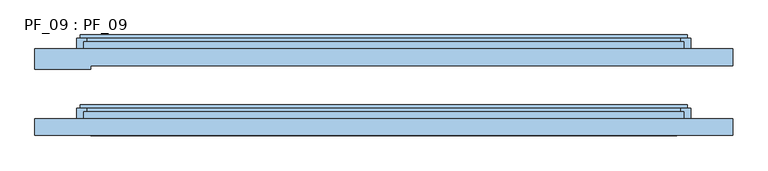
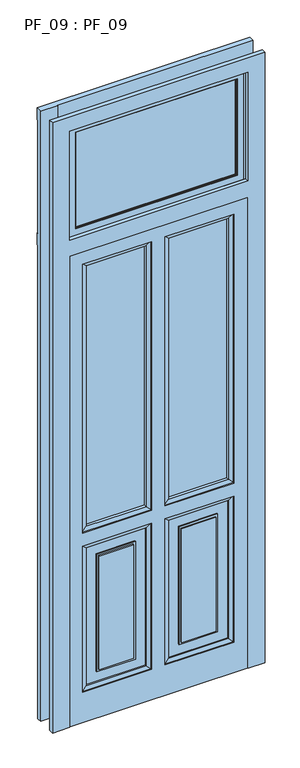
"""IFC4 building model written with IfcOpenShell, lengths in millimetres: window geometry, PF_09 : PF_09."""

import ifcopenshell
import ifcopenshell.guid

model = None  # the IFC model being written
_history = None  # IfcOwnerHistory: only IFC2X3 demands one
_inside = {}  # id of a spatial element -> (the spatial element, [elements in it])
_under = {}  # id of a project, library or spatial element -> (it, [spatial elements below it])
_declared = {}  # id of a project -> (the project, [libraries it declares])
_typed = {}  # id of a type object -> (the type object, [elements of that type])
_made_of = {}  # id of a material, layer set ... -> (it, [elements and type objects made of it])


def new_model(schema):
    """Start an empty IFC model of exactly this schema.

    Asked for "IFC4X3", IfcOpenShell would pick the latest addendum, in which some entities
    have other attributes; the version numbers below select the first issue.
    IFC2X3 requires an IfcOwnerHistory on every rooted entity: one is made here for all.
    """
    global model, _history
    if schema == "IFC4X3":
        model = ifcopenshell.file(schema_version=(4, 3, 0, 0))
    else:
        model = ifcopenshell.file(schema=schema)
    _inside.clear()
    _under.clear()
    _declared.clear()
    _typed.clear()
    _made_of.clear()
    _history = None
    if model.schema == "IFC2X3":
        org = make("IfcOrganization", Name="unknown")
        user = make(
            "IfcPersonAndOrganization",
            ThePerson=make("IfcPerson", FamilyName="unknown"),
            TheOrganization=org,
        )
        app = make(
            "IfcApplication",
            ApplicationDeveloper=org,
            Version="unknown",
            ApplicationFullName="unknown",
            ApplicationIdentifier="unknown",
        )
        _history = make(
            "IfcOwnerHistory",
            OwningUser=user,
            OwningApplication=app,
            ChangeAction="ADDED",
            CreationDate=0,
        )
    return model


def make(cls, **values):
    """One entity of the class cls with the attributes given. An attribute that is None is left unset."""
    return model.create_entity(
        cls, **{name: value for name, value in values.items() if value is not None}
    )


def rooted(cls, **values):
    """An entity with a GlobalId (a new one), such as an element, a storey or a relation."""
    return make(cls, GlobalId=ifcopenshell.guid.new(), OwnerHistory=_history, **values)


def si_unit(unit_type, name, prefix=None):
    """IfcSIUnit, for example si_unit("LENGTHUNIT", "METRE", prefix="MILLI")."""
    return make("IfcSIUnit", UnitType=unit_type, Prefix=prefix, Name=name)


def assignment(units):
    """IfcUnitAssignment: the units of a project."""
    return None if units is None else make("IfcUnitAssignment", Units=units)


def point(xyz):
    """IfcCartesianPoint."""
    return None if xyz is None else make("IfcCartesianPoint", Coordinates=xyz)


def direction(xyz):
    """IfcDirection."""
    return None if xyz is None else make("IfcDirection", DirectionRatios=xyz)


def frame(location, z_axis=None, x_axis=None):
    """IfcAxis2Placement3D, a coordinate frame: its origin and axes. An axis left out is left unset."""
    return make(
        "IfcAxis2Placement3D",
        Location=point(location),
        Axis=direction(z_axis),
        RefDirection=direction(x_axis),
    )


def origin():
    """The frame at (0, 0, 0) with its axes left unset."""
    return frame((0.0, 0.0, 0.0))


def place(relative_to, where):
    """IfcLocalPlacement: puts the frame where relative to a parent placement (None: the world)."""
    return make(
        "IfcLocalPlacement", PlacementRelTo=relative_to, RelativePlacement=where
    )


def context(
    kind, dimensions, precision=None, world=None, true_north=None, identifier=None
):
    """IfcGeometricRepresentationContext, for example the 3D "Model" context."""
    return make(
        "IfcGeometricRepresentationContext",
        ContextIdentifier=identifier,
        ContextType=kind,
        CoordinateSpaceDimension=dimensions,
        Precision=precision,
        WorldCoordinateSystem=world,
        TrueNorth=true_north,
    )


def project(units=None, contexts=None):
    """IfcProject with its units and contexts."""
    return rooted(
        "IfcProject",
        Name="project",
        RepresentationContexts=contexts,
        UnitsInContext=assignment(units),
    )


def spatial(cls, under=None, at=None, **own):
    """A site, building, storey or space (cls), placed at a placement, below another one or the project."""
    s = rooted(cls, ObjectPlacement=at, **own)
    if under is not None:
        _under.setdefault(under.id(), (under, []))[1].append(s)
    return s


def polyline(points):
    """IfcPolyline through the points."""
    return make("IfcPolyline", Points=[point(p) for p in points])


def outline(outer, holes=None, kind="AREA"):
    """IfcArbitraryClosedProfileDef: a profile drawn as a closed curve; with holes, ...WithVoids."""
    if holes is None:
        return make("IfcArbitraryClosedProfileDef", ProfileType=kind, OuterCurve=outer)
    return make(
        "IfcArbitraryProfileDefWithVoids",
        ProfileType=kind,
        OuterCurve=outer,
        InnerCurves=holes,
    )


def extrude(swept, where, along, depth):
    """IfcExtrudedAreaSolid: the profile swept, set in the frame where, extruded along a direction by depth."""
    return make(
        "IfcExtrudedAreaSolid",
        SweptArea=swept,
        Position=where,
        ExtrudedDirection=direction(along),
        Depth=depth,
    )


def faces_of(points, faces, orient=None, outer=None):
    """IfcFace entities. A face is a list of loops; a loop is a list of indices into points, from 0.

    orient and outer hold one flag for each loop. By default every Orientation is true, the
    first loop of a face is its IfcFaceOuterBound and the others are IfcFaceBound.
    """
    made = []
    for i, loops in enumerate(faces):
        bounds = []
        for j, loop in enumerate(loops):
            is_outer = j == 0 if outer is None else outer[i][j]
            bounds.append(
                make(
                    "IfcFaceOuterBound" if is_outer else "IfcFaceBound",
                    Bound=make("IfcPolyLoop", Polygon=[points[k] for k in loop]),
                    Orientation=True if orient is None else orient[i][j],
                )
            )
        made.append(make("IfcFace", Bounds=bounds))
    return made


def faceted_brep(points, faces, orient=None, outer=None, voids=None):
    """IfcFacetedBrep: a solid bounded by flat faces; with voids (closed shells), ...WithVoids."""
    shared = [point(p) for p in points]
    hull = make("IfcClosedShell", CfsFaces=faces_of(shared, faces, orient, outer))
    if voids is None:
        return make("IfcFacetedBrep", Outer=hull)
    return make(
        "IfcFacetedBrepWithVoids",
        Outer=hull,
        Voids=[
            make(cls, CfsFaces=faces_of(shared, fs, o, b)) for cls, fs, o, b in voids
        ],
    )


def shape(context_of_items, identifier, shape_type, items):
    """IfcShapeRepresentation: the items that make up one representation, for example the "Body"."""
    return make(
        "IfcShapeRepresentation",
        ContextOfItems=context_of_items,
        RepresentationIdentifier=identifier,
        RepresentationType=shape_type,
        Items=items,
    )


def source(mapping_origin, context_of_items, identifier, shape_type, items):
    """IfcRepresentationMap: a shape defined once, which mapped items show again and again."""
    return make(
        "IfcRepresentationMap",
        MappingOrigin=mapping_origin,
        MappedRepresentation=shape(context_of_items, identifier, shape_type, items),
    )


def transform(
    local_origin,
    x_axis=None,
    y_axis=None,
    z_axis=None,
    scale=None,
    scale2=None,
    scale3=None,
    uniform=True,
):
    """IfcCartesianTransformationOperator3D, or its non-uniform kind. x_axis, y_axis, z_axis: its Axis1, 2, 3."""
    if uniform:
        return make(
            "IfcCartesianTransformationOperator3D",
            Axis1=direction(x_axis),
            Axis2=direction(y_axis),
            LocalOrigin=point(local_origin),
            Scale=scale,
            Axis3=direction(z_axis),
        )
    return make(
        "IfcCartesianTransformationOperator3DnonUniform",
        Axis1=direction(x_axis),
        Axis2=direction(y_axis),
        LocalOrigin=point(local_origin),
        Scale=scale,
        Axis3=direction(z_axis),
        Scale2=scale2,
        Scale3=scale3,
    )


def mapped(mapping_source, mapping_target):
    """IfcMappedItem: shows the shape of a source again, moved by a transform."""
    return make(
        "IfcMappedItem", MappingSource=mapping_source, MappingTarget=mapping_target
    )


def made_of(thing, what):
    """Note that an element or type object is made of a material, layer set ...; save() writes the relation."""
    if what is not None:
        _made_of.setdefault(what.id(), (what, []))[1].append(thing)
    return thing


def element(
    cls,
    number,
    at=None,
    inside=None,
    cuts=None,
    type_object=None,
    material=None,
    context=None,
    identifier="Body",
    shape_type=None,
    held_by="IfcProductDefinitionShape",
    body=None,
    shapes=None,
    **own,
):
    """One element of the class cls, such as IfcWall. Its Tag is "e" and its number.

    at: its placement. inside: the storey or other place that contains it. cuts: it is an
    opening in that element (IfcRelVoidsElement). A single representation is given by context,
    identifier, shape_type and body (its items); several are given by shapes. held_by: the class
    of the entity that holds the representations. save() writes the other relations.
    """
    e = rooted(cls, Tag="e%d" % number, ObjectPlacement=at, **own)
    if body is not None:
        shapes = [shape(context, identifier, shape_type, body)]
    if shapes is not None:
        e.Representation = make(held_by, Representations=shapes)
    if inside is not None:
        _inside.setdefault(inside.id(), (inside, []))[1].append(e)
    if cuts is not None:
        rooted(
            "IfcRelVoidsElement", RelatingBuildingElement=cuts, RelatedOpeningElement=e
        )
    if type_object is not None:
        _typed.setdefault(type_object.id(), (type_object, []))[1].append(e)
    return made_of(e, material)


def aggregate(whole, parts):
    """IfcRelAggregates: a whole, such as a stair, and the parts it consists of."""
    return rooted("IfcRelAggregates", RelatingObject=whole, RelatedObjects=parts)


def save(model, path):
    """Write the relations noted so far, then the file.

    IfcRelAggregates (storeys below a building ...), IfcRelContainedInSpatialStructure (elements
    in a storey), IfcRelDefinesByType, IfcRelAssociatesMaterial and IfcRelDeclares: one each for
    every whole, place, type object, material and project.
    """
    for whole, parts in _under.values():
        aggregate(whole, parts)
    for where, things in _inside.values():
        rooted(
            "IfcRelContainedInSpatialStructure",
            RelatedElements=things,
            RelatingStructure=where,
        )
    for kind, things in _typed.values():
        rooted("IfcRelDefinesByType", RelatedObjects=things, RelatingType=kind)
    for what, things in _made_of.values():
        rooted("IfcRelAssociatesMaterial", RelatedObjects=things, RelatingMaterial=what)
    for by, libraries in _declared.values():
        rooted("IfcRelDeclares", RelatingContext=by, RelatedDefinitions=libraries)
    model.write(path)


def pf_09_pf_09_a377116d(model_context):
    return source(origin(), model_context, "Body", "SolidModel", [
        extrude(outline(polyline([(375.0, 57.0), (375.0, 53.0), (-375.0, 53.0), (-375.0, 57.0), (375.0, 57.0)])), frame((0.0, 0.0, 2455.0), z_axis=(0.0, 0.0, 1.0), x_axis=(1.0, 0.0, 0.0)), (0.0, 0.0, 1.0), 470.0),
        faceted_brep([(380.0, 50.0, 2930.0), (380.0, 50.0, 2450.0), (380.0, 45.0, 2450.0), (380.0, 45.0, 2930.0), (375.0, 60.0, 2925.0), (375.0, 60.0, 2455.0), (375.0, 50.0, 2455.0), (375.0, 50.0, 2925.0), (380.0, 65.0, 2930.0), (380.0, 65.0, 2450.0), (380.0, 60.0, 2450.0), (380.0, 60.0, 2930.0), (430.0, 50.0, 2980.0), (430.0, 50.0, 2400.0), (430.0, 60.0, 2400.0), (430.0, 60.0, 2980.0), (410.0, 45.0, 2960.0), (410.0, 45.0, 2420.0), (410.0, 50.0, 2420.0), (410.0, 50.0, 2960.0), (-380.0, 50.0, 2450.0), (-380.0, 45.0, 2450.0), (-375.0, 60.0, 2455.0), (-375.0, 50.0, 2455.0), (-380.0, 65.0, 2450.0), (-380.0, 60.0, 2450.0), (-430.0, 50.0, 2400.0), (-430.0, 60.0, 2400.0), (-410.0, 45.0, 2420.0), (-410.0, 50.0, 2420.0), (-380.0, 50.0, 2930.0), (-380.0, 45.0, 2930.0), (-375.0, 60.0, 2925.0), (-375.0, 50.0, 2925.0), (-380.0, 65.0, 2930.0), (-380.0, 60.0, 2930.0), (-430.0, 50.0, 2980.0), (-430.0, 60.0, 2980.0), (-410.0, 45.0, 2960.0), (-410.0, 50.0, 2960.0), (425.0, 65.0, 2975.0), (425.0, 65.0, 2405.0), (-425.0, 65.0, 2405.0), (-425.0, 65.0, 2975.0), (425.0, 60.0, 2975.0), (425.0, 60.0, 2405.0), (-425.0, 60.0, 2405.0), (-425.0, 60.0, 2975.0)], [[[0, 1, 2, 3]], [[4, 5, 6, 7]], [[8, 9, 10, 11]], [[12, 13, 14, 15]], [[16, 17, 18, 19]], [[1, 20, 21, 2]], [[5, 22, 23, 6]], [[9, 24, 25, 10]], [[13, 26, 27, 14]], [[17, 28, 29, 18]], [[20, 30, 31, 21]], [[22, 32, 33, 23]], [[24, 34, 35, 25]], [[26, 36, 37, 27]], [[28, 38, 39, 29]], [[17, 16, 38, 28], [3, 2, 21, 31]], [[30, 0, 3, 31]], [[1, 0, 30, 20], [7, 6, 23, 33]], [[32, 4, 7, 33]], [[11, 10, 25, 35], [5, 4, 32, 22]], [[34, 8, 11, 35]], [[40, 41, 42, 43], [9, 8, 34, 24]], [[36, 12, 15, 37]], [[13, 12, 36, 26], [19, 18, 29, 39]], [[38, 16, 19, 39]], [[44, 45, 41, 40]], [[45, 46, 42, 41]], [[46, 47, 43, 42]], [[47, 44, 40, 43]], [[15, 14, 27, 37], [45, 44, 47, 46]]]),
        extrude(outline(polyline([(375.0, -43.0), (375.0, -47.0), (-375.0, -47.0), (-375.0, -43.0), (375.0, -43.0)])), frame((0.0, 0.0, 2455.0), z_axis=(0.0, 0.0, 1.0), x_axis=(1.0, 0.0, 0.0)), (0.0, 0.0, 1.0), 470.0),
        faceted_brep([(380.0, -50.0, 2930.0), (380.0, -50.0, 2450.0), (380.0, -55.0, 2450.0), (380.0, -55.0, 2930.0), (375.0, -40.0, 2925.0), (375.0, -40.0, 2455.0), (375.0, -50.0, 2455.0), (375.0, -50.0, 2925.0), (380.0, -35.0, 2930.0), (380.0, -35.0, 2450.0), (380.0, -40.0, 2450.0), (380.0, -40.0, 2930.0), (430.0, -50.0, 2980.0), (430.0, -50.0, 2400.0), (430.0, -40.0, 2400.0), (430.0, -40.0, 2980.0), (410.0, -55.0, 2960.0), (410.0, -55.0, 2420.0), (410.0, -50.0, 2420.0), (410.0, -50.0, 2960.0), (-380.0, -50.0, 2450.0), (-380.0, -55.0, 2450.0), (-375.0, -40.0, 2455.0), (-375.0, -50.0, 2455.0), (-380.0, -35.0, 2450.0), (-380.0, -40.0, 2450.0), (-430.0, -50.0, 2400.0), (-430.0, -40.0, 2400.0), (-410.0, -55.0, 2420.0), (-410.0, -50.0, 2420.0), (-380.0, -50.0, 2930.0), (-380.0, -55.0, 2930.0), (-375.0, -40.0, 2925.0), (-375.0, -50.0, 2925.0), (-380.0, -35.0, 2930.0), (-380.0, -40.0, 2930.0), (-430.0, -50.0, 2980.0), (-430.0, -40.0, 2980.0), (-410.0, -55.0, 2960.0), (-410.0, -50.0, 2960.0), (425.0, -35.0, 2975.0), (425.0, -35.0, 2405.0), (-425.0, -35.0, 2405.0), (-425.0, -35.0, 2975.0), (425.0, -40.0, 2975.0), (425.0, -40.0, 2405.0), (-425.0, -40.0, 2405.0), (-425.0, -40.0, 2975.0)], [[[0, 1, 2, 3]], [[4, 5, 6, 7]], [[8, 9, 10, 11]], [[12, 13, 14, 15]], [[16, 17, 18, 19]], [[1, 20, 21, 2]], [[5, 22, 23, 6]], [[9, 24, 25, 10]], [[13, 26, 27, 14]], [[17, 28, 29, 18]], [[20, 30, 31, 21]], [[22, 32, 33, 23]], [[24, 34, 35, 25]], [[26, 36, 37, 27]], [[28, 38, 39, 29]], [[17, 16, 38, 28], [3, 2, 21, 31]], [[30, 0, 3, 31]], [[1, 0, 30, 20], [7, 6, 23, 33]], [[32, 4, 7, 33]], [[11, 10, 25, 35], [5, 4, 32, 22]], [[34, 8, 11, 35]], [[40, 41, 42, 43], [9, 8, 34, 24]], [[36, 12, 15, 37]], [[13, 12, 36, 26], [19, 18, 29, 39]], [[38, 16, 19, 39]], [[44, 45, 41, 40]], [[45, 46, 42, 41]], [[46, 47, 43, 42]], [[47, 44, 40, 43]], [[15, 14, 27, 37], [45, 44, 47, 46]]]),
        extrude(outline(polyline([(-52.5, 57.0), (-52.5, 53.0), (-335.0, 53.0), (-335.0, 57.0), (-52.5, 57.0)])), frame((0.0, 0.0, 960.0), z_axis=(0.0, 0.0, 1.0), x_axis=(1.0, 0.0, 0.0)), (0.0, 0.0, 1.0), 1295.0),
        extrude(outline(polyline([(335.0, 57.0), (335.0, 53.0), (52.5, 53.0), (52.5, 57.0), (335.0, 57.0)])), frame((0.0, 0.0, 960.0), z_axis=(0.0, 0.0, 1.0), x_axis=(1.0, 0.0, 0.0)), (0.0, 0.0, 1.0), 1295.0),
        extrude(outline(polyline([(-52.5, -43.0), (-52.5, -47.0), (-335.0, -47.0), (-335.0, -43.0), (-52.5, -43.0)])), frame((0.0, 0.0, 960.0), z_axis=(0.0, 0.0, 1.0), x_axis=(1.0, 0.0, 0.0)), (0.0, 0.0, 1.0), 1295.0),
        extrude(outline(polyline([(335.0, -43.0), (335.0, -47.0), (52.5, -47.0), (52.5, -43.0), (335.0, -43.0)])), frame((0.0, 0.0, 960.0), z_axis=(0.0, 0.0, 1.0), x_axis=(1.0, 0.0, 0.0)), (0.0, 0.0, 1.0), 1295.0),
        faceted_brep([(430.0, 30.0, 0.0), (-430.0, 30.0, 0.0), (-430.0, 50.0, 0.0), (-440.0, 50.0, 0.0), (-440.0, 65.0, 0.0), (-435.0, 65.0, 0.0), (-435.0, 70.0, 0.0), (435.0, 70.0, 0.0), (435.0, 65.0, 0.0), (440.0, 65.0, 0.0), (440.0, 50.0, 0.0), (430.0, 50.0, 0.0), (430.0, 50.0, 2350.0), (430.0, 30.0, 2350.0), (440.0, 50.0, 2360.0), (-440.0, 50.0, 2360.0), (-430.0, 50.0, 2350.0), (440.0, 65.0, 2360.0), (435.0, 65.0, 2355.0), (-435.0, 65.0, 2355.0), (-440.0, 65.0, 2360.0), (435.0, 70.0, 2355.0), (-435.0, 70.0, 2355.0), (32.5, 70.0, 2275.0), (32.5, 70.0, 940.0), (355.0, 70.0, 940.0), (355.0, 70.0, 2275.0), (-355.0, 70.0, 2275.0), (-355.0, 70.0, 940.0), (-32.5, 70.0, 940.0), (-32.5, 70.0, 2275.0), (-355.0, 70.0, 875.0), (-355.0, 70.0, 150.0), (-32.5, 70.0, 150.0), (-32.5, 70.0, 875.0), (32.5, 70.0, 875.0), (32.5, 70.0, 150.0), (355.0, 70.0, 150.0), (355.0, 70.0, 875.0), (-430.0, 30.0, 2350.0), (-32.5, 30.0, 2275.0), (-32.5, 30.0, 940.0), (-355.0, 30.0, 940.0), (-355.0, 30.0, 2275.0), (355.0, 30.0, 2275.0), (355.0, 30.0, 940.0), (32.5, 30.0, 940.0), (32.5, 30.0, 2275.0), (355.0, 30.0, 875.0), (355.0, 30.0, 150.0), (32.5, 30.0, 150.0), (32.5, 30.0, 875.0), (-32.5, 30.0, 875.0), (-32.5, 30.0, 150.0), (-355.0, 30.0, 150.0), (-355.0, 30.0, 875.0), (52.5, 40.0, 2255.0), (52.5, 40.0, 960.0), (52.5, 60.0, 960.0), (52.5, 60.0, 2255.0), (52.5, 60.0, 855.0), (52.5, 55.0, 855.0), (52.5, 55.0, 170.0), (52.5, 60.0, 170.0), (52.5, 40.0, 170.0), (52.5, 45.0, 170.0), (52.5, 45.0, 855.0), (52.5, 40.0, 855.0), (32.5, 65.0, 940.0), (32.5, 65.0, 2275.0), (32.5, 65.0, 150.0), (32.5, 65.0, 875.0), (335.0, 40.0, 960.0), (335.0, 60.0, 960.0), (-335.0, 60.0, 960.0), (-335.0, 40.0, 960.0), (-52.5, 40.0, 960.0), (-52.5, 60.0, 960.0), (32.5, 35.0, 2275.0), (32.5, 35.0, 940.0), (32.5, 35.0, 875.0), (32.5, 35.0, 150.0), (335.0, 55.0, 170.0), (335.0, 60.0, 170.0), (335.0, 40.0, 170.0), (335.0, 45.0, 170.0), (-335.0, 60.0, 170.0), (-335.0, 55.0, 170.0), (-52.5, 55.0, 170.0), (-52.5, 60.0, 170.0), (-52.5, 40.0, 170.0), (-52.5, 45.0, 170.0), (-335.0, 45.0, 170.0), (-335.0, 40.0, 170.0), (-335.0, 55.0, 855.0), (-52.5, 55.0, 855.0), (-285.0, 55.0, 805.0), (-285.0, 55.0, 220.0), (-102.5, 55.0, 220.0), (-102.5, 55.0, 805.0), (335.0, 55.0, 855.0), (102.5, 55.0, 805.0), (102.5, 55.0, 220.0), (285.0, 55.0, 220.0), (285.0, 55.0, 805.0), (335.0, 45.0, 855.0), (335.0, 40.0, 855.0), (335.0, 60.0, 855.0), (-52.5, 60.0, 855.0), (-335.0, 60.0, 855.0), (-335.0, 40.0, 855.0), (-335.0, 45.0, 855.0), (-52.5, 45.0, 855.0), (-52.5, 40.0, 855.0), (285.0, 45.0, 805.0), (285.0, 45.0, 220.0), (102.5, 45.0, 220.0), (102.5, 45.0, 805.0), (-102.5, 45.0, 805.0), (-102.5, 45.0, 220.0), (-285.0, 45.0, 220.0), (-285.0, 45.0, 805.0), (-52.5, 60.0, 2255.0), (-52.5, 40.0, 2255.0), (-32.5, 35.0, 940.0), (-32.5, 35.0, 2275.0), (-32.5, 35.0, 150.0), (-32.5, 35.0, 875.0), (-32.5, 65.0, 2275.0), (-32.5, 65.0, 940.0), (-32.5, 65.0, 875.0), (-32.5, 65.0, 150.0), (355.0, 65.0, 940.0), (355.0, 65.0, 2275.0), (355.0, 65.0, 150.0), (355.0, 65.0, 875.0), (-355.0, 65.0, 940.0), (-355.0, 65.0, 2275.0), (-355.0, 65.0, 875.0), (-355.0, 65.0, 150.0), (-355.0, 35.0, 940.0), (355.0, 35.0, 940.0), (355.0, 35.0, 875.0), (-355.0, 35.0, 875.0), (-355.0, 35.0, 150.0), (355.0, 35.0, 150.0), (355.0, 35.0, 2275.0), (-355.0, 35.0, 2275.0), (335.0, 60.0, 2255.0), (335.0, 40.0, 2255.0), (-335.0, 60.0, 2255.0), (-335.0, 40.0, 2255.0), (-285.0, 60.0, 805.0), (-102.5, 60.0, 805.0), (-102.5, 40.0, 805.0), (-285.0, 40.0, 805.0), (-102.5, 60.0, 220.0), (-102.5, 40.0, 220.0), (-285.0, 60.0, 220.0), (-285.0, 40.0, 220.0), (102.5, 60.0, 805.0), (285.0, 60.0, 805.0), (285.0, 40.0, 805.0), (102.5, 40.0, 805.0), (285.0, 60.0, 220.0), (285.0, 40.0, 220.0), (102.5, 60.0, 220.0), (102.5, 40.0, 220.0), (-275.0, 60.0, 230.0), (-112.5, 60.0, 230.0), (-112.5, 60.0, 795.0), (-275.0, 60.0, 795.0), (112.5, 60.0, 230.0), (275.0, 60.0, 230.0), (275.0, 60.0, 795.0), (112.5, 60.0, 795.0), (112.5, 65.0, 230.0), (112.5, 65.0, 795.0), (112.5, 35.0, 795.0), (112.5, 40.0, 795.0), (112.5, 40.0, 230.0), (112.5, 35.0, 230.0), (275.0, 65.0, 795.0), (275.0, 35.0, 795.0), (275.0, 40.0, 795.0), (275.0, 65.0, 230.0), (275.0, 35.0, 230.0), (275.0, 40.0, 230.0), (-275.0, 65.0, 230.0), (-275.0, 65.0, 795.0), (-275.0, 35.0, 795.0), (-275.0, 40.0, 795.0), (-275.0, 40.0, 230.0), (-275.0, 35.0, 230.0), (-112.5, 65.0, 795.0), (-112.5, 35.0, 795.0), (-112.5, 40.0, 795.0), (-112.5, 65.0, 230.0), (-112.5, 35.0, 230.0), (-112.5, 40.0, 230.0)], [[[0, 1, 2, 3, 4, 5, 6, 7, 8, 9, 10, 11]], [[11, 12, 13, 0]], [[10, 14, 15, 3, 2, 16, 12, 11]], [[9, 17, 14, 10]], [[8, 18, 19, 5, 4, 20, 17, 9]], [[7, 21, 18, 8]], [[22, 21, 7, 6], [23, 24, 25, 26], [27, 28, 29, 30], [31, 32, 33, 34], [35, 36, 37, 38]], [[22, 6, 5, 19]], [[20, 4, 3, 15]], [[2, 1, 39, 16]], [[1, 0, 13, 39], [40, 41, 42, 43], [44, 45, 46, 47], [48, 49, 50, 51], [52, 53, 54, 55]], [[56, 57, 58, 59]], [[60, 61, 62, 63]], [[64, 65, 66, 67]], [[59, 58, 68, 69]], [[60, 63, 70, 71]], [[58, 57, 72, 73]], [[74, 75, 76, 77]], [[78, 79, 57, 56]], [[80, 81, 64, 67]], [[63, 62, 82, 83]], [[84, 85, 65, 64]], [[86, 87, 88, 89]], [[90, 91, 92, 93]], [[88, 87, 94, 95], [96, 97, 98, 99]], [[61, 100, 82, 62], [101, 102, 103, 104]], [[67, 66, 105, 106]], [[107, 100, 61, 60]], [[108, 95, 94, 109]], [[110, 111, 112, 113]], [[65, 85, 105, 66], [114, 115, 116, 117]], [[112, 111, 92, 91], [118, 119, 120, 121]], [[89, 88, 95, 108]], [[113, 112, 91, 90]], [[122, 77, 76, 123]], [[123, 76, 124, 125]], [[113, 90, 126, 127]], [[128, 129, 77, 122]], [[130, 131, 89, 108]], [[26, 25, 132, 133]], [[38, 37, 134, 135]], [[28, 136, 129, 29]], [[24, 68, 132, 25]], [[69, 68, 24, 23]], [[71, 70, 36, 35]], [[30, 29, 129, 128]], [[34, 33, 131, 130]], [[137, 136, 28, 27]], [[138, 139, 32, 31]], [[38, 135, 71, 35]], [[34, 130, 138, 31]], [[36, 70, 134, 37]], [[32, 139, 131, 33]], [[68, 58, 73, 132]], [[136, 74, 77, 129]], [[130, 108, 109, 138]], [[135, 107, 60, 71]], [[70, 63, 83, 134]], [[139, 86, 89, 131]], [[124, 76, 75, 140]], [[141, 72, 57, 79]], [[47, 46, 79, 78]], [[51, 50, 81, 80]], [[80, 67, 106, 142]], [[143, 110, 113, 127]], [[126, 90, 93, 144]], [[145, 84, 64, 81]], [[79, 46, 45, 141]], [[41, 124, 140, 42]], [[142, 48, 51, 80]], [[55, 143, 127, 52]], [[81, 50, 49, 145]], [[53, 126, 144, 54]], [[146, 141, 45, 44]], [[142, 145, 49, 48]], [[43, 42, 140, 147]], [[55, 54, 144, 143]], [[125, 124, 41, 40]], [[127, 126, 53, 52]], [[133, 132, 73, 148]], [[135, 134, 83, 107]], [[83, 82, 100, 107]], [[106, 105, 85, 84]], [[148, 73, 72, 149]], [[150, 74, 136, 137]], [[109, 86, 139, 138]], [[93, 92, 111, 110]], [[109, 94, 87, 86]], [[151, 75, 74, 150]], [[149, 72, 141, 146]], [[106, 84, 145, 142]], [[147, 140, 75, 151]], [[143, 144, 93, 110]], [[152, 96, 99, 153]], [[154, 118, 121, 155]], [[153, 99, 98, 156]], [[157, 119, 118, 154]], [[156, 98, 97, 158]], [[159, 120, 119, 157]], [[155, 121, 120, 159]], [[158, 97, 96, 152]], [[160, 101, 104, 161]], [[162, 114, 117, 163]], [[161, 104, 103, 164]], [[165, 115, 114, 162]], [[164, 103, 102, 166]], [[167, 116, 115, 165]], [[163, 117, 116, 167]], [[166, 102, 101, 160]], [[153, 156, 158, 152], [168, 169, 170, 171]], [[161, 164, 166, 160], [172, 173, 174, 175]], [[176, 172, 175, 177]], [[178, 179, 180, 181]], [[177, 175, 174, 182]], [[183, 184, 179, 178]], [[182, 174, 173, 185]], [[186, 187, 184, 183]], [[181, 180, 187, 186]], [[185, 173, 172, 176]], [[188, 168, 171, 189]], [[190, 191, 192, 193]], [[189, 171, 170, 194]], [[195, 196, 191, 190]], [[194, 170, 169, 197]], [[198, 199, 196, 195]], [[193, 192, 199, 198]], [[197, 169, 168, 188]], [[154, 155, 159, 157], [191, 196, 199, 192]], [[162, 163, 167, 165], [179, 184, 187, 180]], [[177, 182, 185, 176]], [[189, 194, 197, 188]], [[178, 181, 186, 183]], [[190, 193, 198, 195]], [[19, 18, 21, 22]], [[16, 39, 13, 12]], [[15, 14, 17, 20]], [[27, 30, 128, 137]], [[133, 69, 23, 26]], [[137, 128, 122, 150]], [[148, 59, 69, 133]], [[150, 122, 123, 151]], [[149, 56, 59, 148]], [[151, 123, 125, 147]], [[146, 78, 56, 149]], [[44, 47, 78, 146]], [[147, 125, 40, 43]]]),
        faceted_brep([(-420.0, 21.0, 0.0), (-500.0, 21.0, 0.0), (-500.0, 45.0, 0.0), (-430.0, 45.0, 0.0), (-430.0, 40.0, 0.0), (-420.0, 40.0, 0.0), (-420.0, 40.0, 2340.0), (-420.0, 26.0, 2340.0), (-420.0, 26.0, 2420.0), (-420.0, 40.0, 2420.0), (-420.0, 40.0, 2960.0), (-420.0, 26.0, 2960.0), (-420.0, 26.0, 3030.0), (-420.0, 21.0, 3030.0), (-430.0, 40.0, 2340.0), (-430.0, 40.0, 2420.0), (-430.0, 40.0, 2960.0), (-430.0, 45.0, 2340.0), (-430.0, 45.0, 2420.0), (-430.0, 45.0, 2960.0), (-500.0, 45.0, 2350.0), (430.0, 45.0, 2350.0), (430.0, 45.0, 0.0), (420.0, 45.0, 0.0), (420.0, 45.0, 2340.0), (-500.0, 45.0, 2970.0), (430.0, 45.0, 2970.0), (430.0, 45.0, 2410.0), (-500.0, 45.0, 2410.0), (420.0, 45.0, 2420.0), (420.0, 45.0, 2960.0), (-500.0, 21.0, 3030.0), (-500.0, 50.0, 3030.0), (-500.0, 50.0, 2970.0), (-500.0, 50.0, 2410.0), (-500.0, 50.0, 2350.0), (500.0, 26.0, 3030.0), (500.0, 26.0, 0.0), (500.0, 50.0, 0.0), (500.0, 50.0, 3030.0), (420.0, 26.0, 0.0), (430.0, 50.0, 0.0), (420.0, 26.0, 2960.0), (420.0, 26.0, 2420.0), (420.0, 26.0, 2340.0), (430.0, 50.0, 2350.0), (430.0, 50.0, 2970.0), (430.0, 50.0, 2410.0)], [[[0, 1, 2, 3, 4, 5]], [[5, 6, 7, 8, 9, 10, 11, 12, 13, 0]], [[4, 14, 6, 5]], [[10, 9, 15, 16]], [[3, 17, 14, 4]], [[16, 15, 18, 19]], [[2, 20, 21, 22, 23, 24, 17, 3]], [[25, 26, 27, 28], [18, 29, 30, 19]], [[1, 31, 32, 33, 25, 28, 34, 35, 20, 2]], [[31, 1, 0, 13]], [[36, 37, 38, 39]], [[40, 23, 22, 41, 38, 37]], [[42, 30, 29, 43]], [[40, 44, 24, 23]], [[21, 45, 41, 22]], [[26, 46, 47, 27]], [[13, 12, 36, 39, 32, 31]], [[17, 24, 44, 7, 6, 14]], [[15, 9, 8, 43, 29, 18]], [[19, 30, 42, 11, 10, 16]], [[35, 45, 21, 20]], [[33, 46, 26, 25]], [[27, 47, 34, 28]], [[11, 42, 43, 8, 7, 44, 40, 37, 36, 12]], [[39, 38, 41, 45, 35, 34, 47, 46, 33, 32]]]),
        faceted_brep([(335.0, -40.0, 960.0), (52.5, -40.0, 960.0), (52.5, -60.0, 960.0), (335.0, -60.0, 960.0), (-335.0, -60.0, 960.0), (-52.5, -60.0, 960.0), (-52.5, -40.0, 960.0), (-335.0, -40.0, 960.0), (335.0, -40.0, 2255.0), (335.0, -60.0, 2255.0), (335.0, -40.0, 170.0), (335.0, -45.0, 170.0), (335.0, -45.0, 855.0), (335.0, -40.0, 855.0), (335.0, -60.0, 855.0), (335.0, -55.0, 855.0), (335.0, -55.0, 170.0), (335.0, -60.0, 170.0), (32.5, -65.0, 940.0), (355.0, -65.0, 940.0), (-355.0, -65.0, 940.0), (-32.5, -65.0, 940.0), (52.5, -40.0, 855.0), (52.5, -45.0, 855.0), (52.5, -45.0, 170.0), (52.5, -40.0, 170.0), (52.5, -60.0, 170.0), (52.5, -55.0, 170.0), (52.5, -55.0, 855.0), (52.5, -60.0, 855.0), (52.5, -40.0, 2255.0), (52.5, -60.0, 2255.0), (-32.5, -35.0, 940.0), (-355.0, -35.0, 940.0), (355.0, -35.0, 940.0), (32.5, -35.0, 940.0), (-335.0, -60.0, 2255.0), (-335.0, -40.0, 2255.0), (-335.0, -40.0, 855.0), (-335.0, -45.0, 855.0), (-335.0, -45.0, 170.0), (-335.0, -40.0, 170.0), (-335.0, -60.0, 170.0), (-335.0, -55.0, 170.0), (-335.0, -55.0, 855.0), (-335.0, -60.0, 855.0), (-52.5, -60.0, 2255.0), (-52.5, -40.0, 2255.0), (-52.5, -60.0, 855.0), (-52.5, -55.0, 855.0), (-52.5, -55.0, 170.0), (-52.5, -60.0, 170.0), (-52.5, -40.0, 170.0), (-52.5, -45.0, 170.0), (-52.5, -45.0, 855.0), (-52.5, -40.0, 855.0), (-32.5, -65.0, 875.0), (-355.0, -65.0, 875.0), (355.0, -65.0, 875.0), (32.5, -65.0, 875.0), (285.0, -55.0, 805.0), (285.0, -55.0, 220.0), (102.5, -55.0, 220.0), (102.5, -55.0, 805.0), (-102.5, -55.0, 805.0), (-102.5, -55.0, 220.0), (-285.0, -55.0, 220.0), (-285.0, -55.0, 805.0), (32.5, -35.0, 875.0), (355.0, -35.0, 875.0), (-355.0, -35.0, 875.0), (-32.5, -35.0, 875.0), (102.5, -45.0, 805.0), (102.5, -45.0, 220.0), (285.0, -45.0, 220.0), (285.0, -45.0, 805.0), (-285.0, -45.0, 805.0), (-285.0, -45.0, 220.0), (-102.5, -45.0, 220.0), (-102.5, -45.0, 805.0), (355.0, -35.0, 2275.0), (355.0, -35.0, 150.0), (32.5, -30.0, 875.0), (355.0, -30.0, 875.0), (-355.0, -30.0, 875.0), (-32.5, -30.0, 875.0), (32.5, -35.0, 150.0), (32.5, -35.0, 2275.0), (-355.0, -35.0, 2275.0), (-355.0, -35.0, 150.0), (-32.5, -35.0, 2275.0), (-32.5, -35.0, 150.0), (355.0, -30.0, 2275.0), (355.0, -30.0, 940.0), (355.0, -30.0, 150.0), (-435.0, -30.0, 2355.0), (435.0, -30.0, 2355.0), (435.0, -30.0, 0.0), (-435.0, -30.0, 0.0), (-355.0, -30.0, 940.0), (-32.5, -30.0, 940.0), (-32.5, -30.0, 2275.0), (-355.0, -30.0, 2275.0), (32.5, -30.0, 150.0), (-355.0, -30.0, 150.0), (-32.5, -30.0, 150.0), (32.5, -30.0, 2275.0), (32.5, -30.0, 940.0), (-435.0, -35.0, 0.0), (-435.0, -35.0, 2355.0), (430.0, -70.0, 0.0), (-430.0, -70.0, 0.0), (-430.0, -50.0, 0.0), (-440.0, -50.0, 0.0), (-440.0, -35.0, 0.0), (435.0, -35.0, 0.0), (440.0, -35.0, 0.0), (440.0, -50.0, 0.0), (430.0, -50.0, 0.0), (435.0, -35.0, 2355.0), (355.0, -65.0, 2275.0), (355.0, -65.0, 150.0), (32.5, -70.0, 940.0), (355.0, -70.0, 940.0), (-355.0, -70.0, 940.0), (-32.5, -70.0, 940.0), (32.5, -65.0, 2275.0), (32.5, -65.0, 150.0), (-355.0, -65.0, 2275.0), (-355.0, -65.0, 150.0), (-32.5, -65.0, 150.0), (-32.5, -65.0, 2275.0), (355.0, -70.0, 2275.0), (355.0, -70.0, 150.0), (355.0, -70.0, 875.0), (430.0, -70.0, 2350.0), (-430.0, -70.0, 2350.0), (32.5, -70.0, 2275.0), (32.5, -70.0, 150.0), (32.5, -70.0, 875.0), (-32.5, -70.0, 875.0), (-32.5, -70.0, 150.0), (-355.0, -70.0, 150.0), (-355.0, -70.0, 875.0), (-355.0, -70.0, 2275.0), (-32.5, -70.0, 2275.0), (-430.0, -50.0, 2350.0), (430.0, -50.0, 2350.0), (440.0, -50.0, 2360.0), (-440.0, -50.0, 2360.0), (440.0, -35.0, 2360.0), (-440.0, -35.0, 2360.0), (-285.0, -40.0, 805.0), (-102.5, -40.0, 805.0), (-102.5, -60.0, 805.0), (-285.0, -60.0, 805.0), (-102.5, -40.0, 220.0), (-102.5, -60.0, 220.0), (-285.0, -40.0, 220.0), (-285.0, -60.0, 220.0), (102.5, -40.0, 805.0), (285.0, -40.0, 805.0), (285.0, -60.0, 805.0), (102.5, -60.0, 805.0), (285.0, -40.0, 220.0), (285.0, -60.0, 220.0), (102.5, -40.0, 220.0), (102.5, -60.0, 220.0), (-275.0, -40.0, 230.0), (-112.5, -40.0, 230.0), (-112.5, -40.0, 795.0), (-275.0, -40.0, 795.0), (112.5, -40.0, 230.0), (275.0, -40.0, 230.0), (275.0, -40.0, 795.0), (112.5, -40.0, 795.0), (112.5, -35.0, 230.0), (112.5, -35.0, 795.0), (112.5, -65.0, 795.0), (112.5, -60.0, 795.0), (112.5, -60.0, 230.0), (112.5, -65.0, 230.0), (275.0, -35.0, 795.0), (275.0, -65.0, 795.0), (275.0, -60.0, 795.0), (275.0, -35.0, 230.0), (275.0, -65.0, 230.0), (275.0, -60.0, 230.0), (-275.0, -35.0, 230.0), (-275.0, -35.0, 795.0), (-275.0, -65.0, 795.0), (-275.0, -60.0, 795.0), (-275.0, -60.0, 230.0), (-275.0, -65.0, 230.0), (-112.5, -35.0, 795.0), (-112.5, -65.0, 795.0), (-112.5, -60.0, 795.0), (-112.5, -35.0, 230.0), (-112.5, -65.0, 230.0), (-112.5, -60.0, 230.0)], [[[0, 1, 2, 3]], [[4, 5, 6, 7]], [[8, 0, 3, 9]], [[10, 11, 12, 13]], [[14, 15, 16, 17]], [[3, 2, 18, 19]], [[20, 21, 5, 4]], [[22, 23, 24, 25]], [[26, 27, 28, 29]], [[30, 31, 2, 1]], [[7, 6, 32, 33]], [[34, 35, 1, 0]], [[36, 4, 7, 37]], [[38, 39, 40, 41]], [[42, 43, 44, 45]], [[6, 5, 46, 47]], [[48, 49, 50, 51]], [[52, 53, 54, 55]], [[13, 12, 23, 22]], [[29, 28, 15, 14]], [[45, 44, 49, 48]], [[55, 54, 39, 38]], [[45, 48, 56, 57]], [[58, 59, 29, 14]], [[28, 27, 16, 15], [60, 61, 62, 63]], [[44, 43, 50, 49], [64, 65, 66, 67]], [[13, 22, 68, 69]], [[70, 71, 55, 38]], [[12, 11, 24, 23], [72, 73, 74, 75]], [[54, 53, 40, 39], [76, 77, 78, 79]], [[80, 34, 0, 8]], [[69, 81, 10, 13]], [[69, 68, 82, 83]], [[84, 85, 71, 70]], [[22, 25, 86, 68]], [[87, 30, 1, 35]], [[37, 7, 33, 88]], [[38, 41, 89, 70]], [[32, 6, 47, 90]], [[71, 91, 52, 55]], [[92, 93, 34, 80]], [[83, 94, 81, 69]], [[95, 96, 97, 98], [99, 100, 101, 102], [82, 103, 94, 83], [84, 104, 105, 85], [92, 106, 107, 93]], [[68, 86, 103, 82]], [[106, 87, 35, 107]], [[88, 33, 99, 102]], [[70, 89, 104, 84]], [[85, 105, 91, 71]], [[100, 32, 90, 101]], [[95, 98, 108, 109]], [[110, 111, 112, 113, 114, 108, 98, 97, 115, 116, 117, 118]], [[97, 96, 119, 115]], [[33, 32, 100, 99]], [[93, 107, 35, 34]], [[103, 86, 81, 94]], [[104, 89, 91, 105]], [[9, 3, 19, 120]], [[14, 17, 121, 58]], [[19, 18, 122, 123]], [[124, 125, 21, 20]], [[18, 2, 31, 126]], [[59, 127, 26, 29]], [[128, 20, 4, 36]], [[57, 129, 42, 45]], [[48, 51, 130, 56]], [[131, 46, 5, 21]], [[120, 19, 123, 132]], [[58, 121, 133, 134]], [[111, 110, 135, 136], [123, 122, 137, 132], [134, 133, 138, 139], [140, 141, 142, 143], [144, 145, 125, 124]], [[139, 138, 127, 59]], [[126, 137, 122, 18]], [[144, 124, 20, 128]], [[143, 142, 129, 57]], [[21, 125, 145, 131]], [[56, 130, 141, 140]], [[112, 111, 136, 146]], [[118, 147, 135, 110]], [[57, 56, 140, 143]], [[134, 139, 59, 58]], [[133, 121, 127, 138]], [[141, 130, 129, 142]], [[117, 148, 149, 113, 112, 146, 147, 118]], [[116, 150, 148, 117]], [[115, 119, 109, 108, 114, 151, 150, 116]], [[151, 114, 113, 149]], [[10, 81, 86, 25]], [[52, 91, 89, 41]], [[17, 16, 27, 26]], [[25, 24, 11, 10]], [[41, 40, 53, 52]], [[51, 50, 43, 42]], [[26, 127, 121, 17]], [[42, 129, 130, 51]], [[152, 76, 79, 153]], [[154, 64, 67, 155]], [[153, 79, 78, 156]], [[157, 65, 64, 154]], [[156, 78, 77, 158]], [[159, 66, 65, 157]], [[155, 67, 66, 159]], [[158, 77, 76, 152]], [[160, 72, 75, 161]], [[162, 60, 63, 163]], [[161, 75, 74, 164]], [[165, 61, 60, 162]], [[164, 74, 73, 166]], [[167, 62, 61, 165]], [[163, 63, 62, 167]], [[166, 73, 72, 160]], [[153, 156, 158, 152], [168, 169, 170, 171]], [[161, 164, 166, 160], [172, 173, 174, 175]], [[176, 172, 175, 177]], [[178, 179, 180, 181]], [[177, 175, 174, 182]], [[183, 184, 179, 178]], [[182, 174, 173, 185]], [[186, 187, 184, 183]], [[181, 180, 187, 186]], [[185, 173, 172, 176]], [[188, 168, 171, 189]], [[190, 191, 192, 193]], [[189, 171, 170, 194]], [[195, 196, 191, 190]], [[194, 170, 169, 197]], [[198, 199, 196, 195]], [[193, 192, 199, 198]], [[197, 169, 168, 188]], [[154, 155, 159, 157], [191, 196, 199, 192]], [[162, 163, 167, 165], [179, 184, 187, 180]], [[177, 182, 185, 176]], [[189, 194, 197, 188]], [[178, 181, 186, 183]], [[190, 193, 198, 195]], [[109, 119, 96, 95]], [[146, 136, 135, 147]], [[149, 148, 150, 151]], [[102, 101, 90, 88]], [[80, 87, 106, 92]], [[88, 90, 47, 37]], [[8, 30, 87, 80]], [[37, 47, 46, 36]], [[9, 31, 30, 8]], [[36, 46, 131, 128]], [[120, 126, 31, 9]], [[132, 137, 126, 120]], [[128, 131, 145, 144]]]),
        faceted_brep([(-420.0, -74.0, 0.0), (-500.0, -74.0, 0.0), (-500.0, -50.0, 0.0), (-430.0, -50.0, 0.0), (-430.0, -55.0, 0.0), (-420.0, -55.0, 0.0), (-420.0, -55.0, 2340.0), (-420.0, -74.0, 2340.0), (-420.0, -74.0, 2960.0), (-420.0, -74.0, 2420.0), (-420.0, -55.0, 2420.0), (-420.0, -55.0, 2960.0), (-430.0, -55.0, 2350.0), (430.0, -55.0, 2350.0), (430.0, -55.0, 0.0), (420.0, -55.0, 0.0), (420.0, -55.0, 2340.0), (430.0, -55.0, 2970.0), (430.0, -55.0, 2410.0), (-430.0, -55.0, 2410.0), (-430.0, -55.0, 2970.0), (420.0, -55.0, 2420.0), (420.0, -55.0, 2960.0), (-430.0, -50.0, 2350.0), (-430.0, -50.0, 2410.0), (-430.0, -50.0, 2970.0), (-500.0, -50.0, 3030.0), (500.0, -50.0, 3030.0), (500.0, -50.0, 0.0), (430.0, -50.0, 0.0), (430.0, -50.0, 2350.0), (430.0, -50.0, 2970.0), (430.0, -50.0, 2410.0), (-500.0, -74.0, 3030.0), (420.0, -74.0, 2340.0), (420.0, -74.0, 0.0), (500.0, -74.0, 0.0), (500.0, -74.0, 3030.0), (420.0, -74.0, 2960.0), (420.0, -74.0, 2420.0)], [[[0, 1, 2, 3, 4, 5]], [[5, 6, 7, 0]], [[8, 9, 10, 11]], [[4, 12, 13, 14, 15, 16, 6, 5]], [[17, 18, 19, 20], [11, 10, 21, 22]], [[3, 23, 12, 4]], [[19, 24, 25, 20]], [[2, 26, 27, 28, 29, 30, 23, 3], [31, 25, 24, 32]], [[2, 1, 33, 26]], [[0, 7, 34, 35, 36, 37, 33, 1], [8, 38, 39, 9]], [[37, 36, 28, 27]], [[35, 15, 14, 29, 28, 36]], [[35, 34, 16, 15]], [[22, 21, 39, 38]], [[31, 32, 18, 17]], [[13, 30, 29, 14]], [[33, 37, 27, 26]], [[16, 34, 7, 6]], [[10, 9, 39, 21]], [[11, 22, 38, 8]], [[30, 13, 12, 23]], [[24, 19, 18, 32]], [[31, 17, 20, 25]]]),
    ])


if __name__ == "__main__":
    model = new_model("IFC4")
    model_context = context("Model", 3, world=origin())
    ifc_project = project(units=[si_unit("LENGTHUNIT", "METRE", prefix="MILLI")], contexts=[model_context])
    site = spatial("IfcSite", under=ifc_project)
    building = spatial("IfcBuilding", under=site)
    placement = place(None, origin())
    pf_09_pf_09_shape = pf_09_pf_09_a377116d(model_context)
    element("IfcWindow", 1, ObjectType="PF_09 : PF_09", at=placement, inside=building, context=model_context, shape_type="MappedRepresentation", body=[
        mapped(pf_09_pf_09_shape, transform((0.0, 0.0, 0.0), x_axis=(1.0, 0.0, 0.0), y_axis=(0.0, 1.0, 0.0), z_axis=(0.0, 0.0, 1.0))),
    ])
    save(model, "model.ifc")
